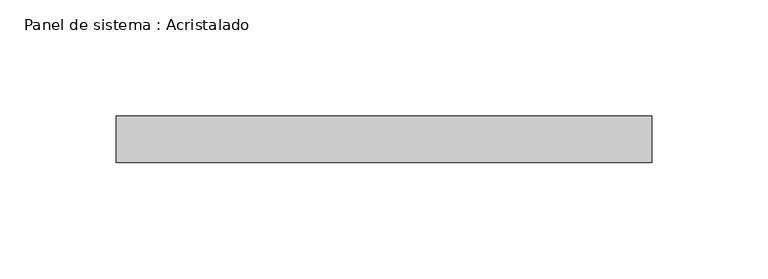
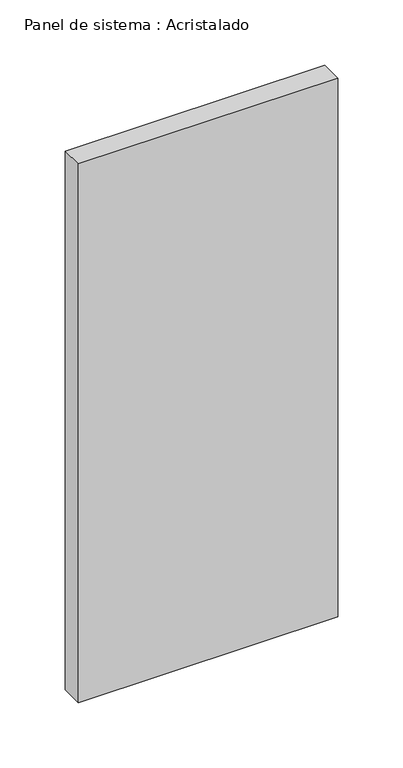
"""IFC4 building model written with IfcOpenShell, lengths in millimetres: plate geometry, Panel de sistema : Acristalado."""

from ifc_helpers import new_model, si_unit, origin, origin_with_axes, place, context, project, spatial, polyline, outline, extrude, source, transform, mapped, element, save


def panel_de_sistema_acristalado_03779d15(model_context):
    return source(origin(), model_context, "Body", "SweptSolid", [
        extrude(outline(polyline([(115.0, -10.0), (-115.0, -10.0), (-115.0, 10.0), (115.0, 10.0), (115.0, -10.0)])), origin_with_axes(), (0.0, 0.0, 1.0), 505.0),
    ])


if __name__ == "__main__":
    model = new_model("IFC4")
    model_context = context("Model", 3, world=origin())
    ifc_project = project(units=[si_unit("LENGTHUNIT", "METRE", prefix="MILLI")], contexts=[model_context])
    site = spatial("IfcSite", under=ifc_project)
    building = spatial("IfcBuilding", under=site)
    placement = place(None, origin())
    panel_de_sistema_acristalado_shape = panel_de_sistema_acristalado_03779d15(model_context)
    element("IfcPlate", 1, ObjectType="Panel de sistema : Acristalado", at=placement, inside=building, context=model_context, shape_type="MappedRepresentation", body=[
        mapped(panel_de_sistema_acristalado_shape, transform((0.0, 0.0, 0.0), x_axis=(1.0, 0.0, 0.0), y_axis=(0.0, 1.0, 0.0), z_axis=(0.0, 0.0, 1.0))),
    ])
    save(model, "model.ifc")
